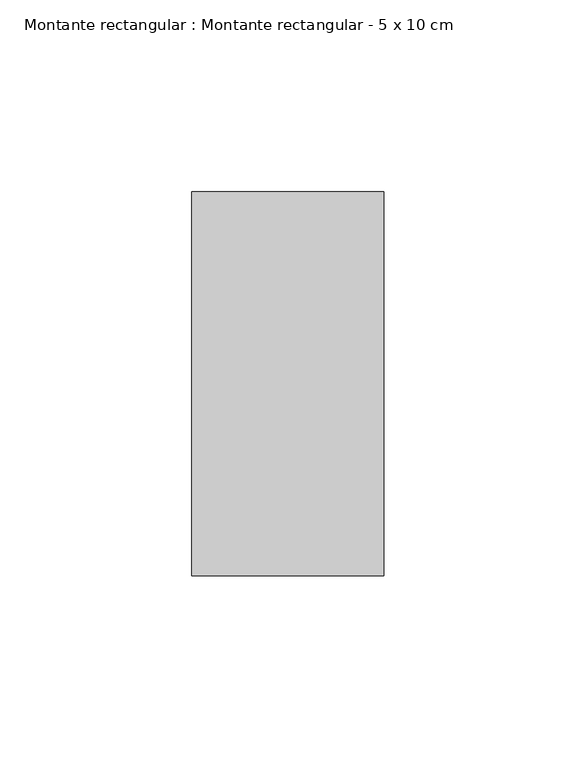
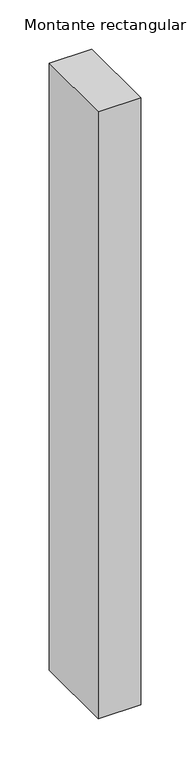
"""IFC4 building model written with IfcOpenShell, lengths in millimetres: member geometry, Montante rectangular : Montante rectangular - 5 x 10 cm."""

from ifc_helpers import new_model, si_unit, frame, origin, place, context, project, spatial, polyline, outline, extrude, source, transform, mapped, element, save


def montante_rectangular_montante_rectangular_5_x_10_cm_2d91d1ab(model_context):
    return source(origin(), model_context, "Body", "SweptSolid", [
        extrude(outline(polyline([(-50.0, 50.0), (0.0, 50.0), (0.0, -50.0), (-50.0, -50.0), (-50.0, 50.0)])), frame((0.0, 0.0, -755.1409033), z_axis=(0.0, 0.0, 1.0), x_axis=(1.0, 0.0, 0.0)), (0.0, 0.0, 1.0), 755.1409033),
    ])


if __name__ == "__main__":
    model = new_model("IFC4")
    model_context = context("Model", 3, world=origin())
    ifc_project = project(units=[si_unit("LENGTHUNIT", "METRE", prefix="MILLI")], contexts=[model_context])
    site = spatial("IfcSite", under=ifc_project)
    building = spatial("IfcBuilding", under=site)
    placement = place(None, origin())
    montante_rectangular_montante_rectangular_5_x_10_cm_shape = montante_rectangular_montante_rectangular_5_x_10_cm_2d91d1ab(model_context)
    element("IfcMember", 1, ObjectType="Montante rectangular : Montante rectangular - 5 x 10 cm", at=placement, inside=building, context=model_context, shape_type="MappedRepresentation", body=[
        mapped(montante_rectangular_montante_rectangular_5_x_10_cm_shape, transform((0.0, 0.0, 0.0), x_axis=(1.0, 0.0, 0.0), y_axis=(0.0, 1.0, 0.0), z_axis=(0.0, 0.0, 1.0))),
    ])
    save(model, "model.ifc")
